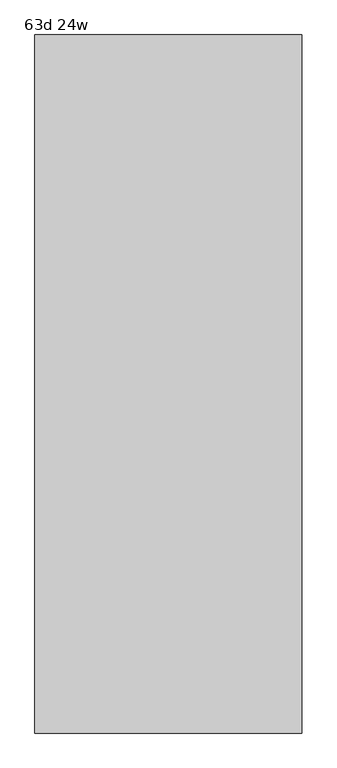
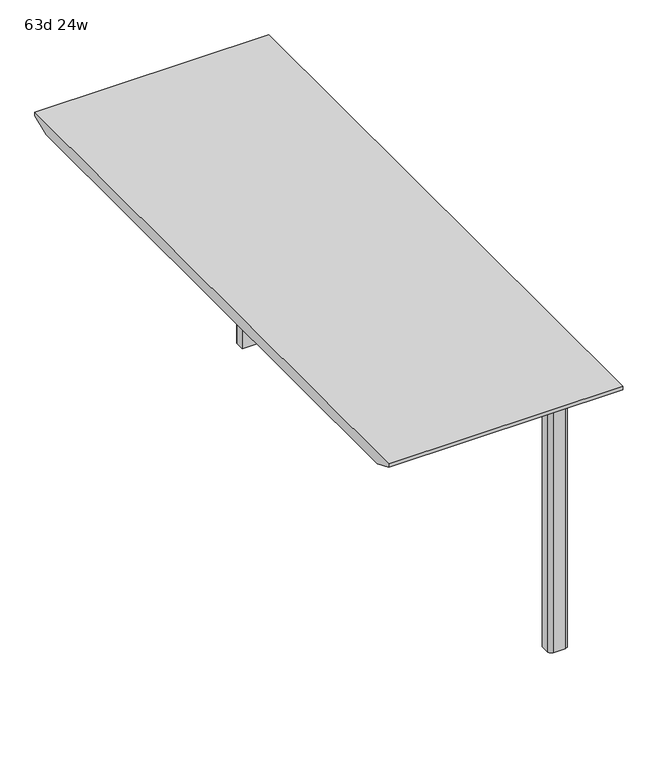
"""IFC4 building model written with IfcOpenShell, lengths in millimetres: furniture geometry, 63d 24w."""

from ifc_helpers import new_model, si_unit, point, frame_2d, origin, origin_with_axes, place, context, project, spatial, polyline, circle_curve, trimmed, segment, composite_curve, outline, extrude, faceted_brep, source, transform, mapped, element, save


def furniture_63d_24w_be91505f(model_context):
    return source(origin(), model_context, "Body", "SolidModel", [
        extrude(outline(composite_curve([segment(polyline([(431.8, -320.4034766), (381.0, -320.4034766), (381.0, -298.1784766)]), True, "CONTINUOUS"), segment(trimmed(circle_curve(frame_2d((390.525, -298.1784766)), 9.525), [point((381.0, -298.1784766))], [point((390.525, -288.6534766))], False, "CARTESIAN"), True, "CONTINUOUS"), segment(polyline([(390.525, -288.6534766), (422.275, -288.6534766)]), True, "CONTINUOUS"), segment(trimmed(circle_curve(frame_2d((422.275, -298.1784766)), 9.525), [point((422.275, -288.6534766))], [point((431.8, -298.1784766))], False, "CARTESIAN"), True, "CONTINUOUS"), segment(polyline([(431.8, -298.1784766), (431.8, -320.4034766)]), True, "CONTINUOUS")], self_intersect=False)), origin_with_axes(), (0.0, 0.0, 1.0), 711.2),
        extrude(outline(composite_curve([segment(polyline([(431.8, -1674.5409766), (431.8, -1696.7659766)]), True, "CONTINUOUS"), segment(trimmed(circle_curve(frame_2d((422.275, -1696.7659766)), 9.525), [point((431.8, -1696.7659766))], [point((422.275, -1706.2909766))], False, "CARTESIAN"), True, "CONTINUOUS"), segment(polyline([(422.275, -1706.2909766), (390.525, -1706.2909766)]), True, "CONTINUOUS"), segment(trimmed(circle_curve(frame_2d((390.525, -1696.7659766)), 9.525), [point((390.525, -1706.2909766))], [point((381.0, -1696.7659766))], False, "CARTESIAN"), True, "CONTINUOUS"), segment(polyline([(381.0, -1696.7659766), (381.0, -1674.5409766), (431.8, -1674.5409766)]), True, "CONTINUOUS")], self_intersect=False)), origin_with_axes(), (0.0, 0.0, 1.0), 711.2),
        faceted_brep([(520.7, -199.7534766, 741.3625), (-88.9, -199.7534766, 741.3625), (-88.9, -1795.1909766, 741.3625), (520.7, -1795.1909766, 741.3625), (-88.9, -1744.3909766, 711.2), (-88.9, -250.5534766, 711.2), (469.9, -250.5534766, 711.2), (469.9, -1744.3909766, 711.2), (520.7, -199.7534766, 731.8375), (-88.9, -199.7534766, 731.8375), (-88.9, -1795.1909766, 731.8375), (520.7, -1795.1909766, 731.8375)], [[[0, 1, 2, 3]], [[4, 5, 6, 7]], [[1, 0, 8, 9]], [[2, 1, 9, 5, 4, 10]], [[3, 2, 10, 11]], [[0, 3, 11, 8]], [[10, 4, 7, 11]], [[9, 8, 6, 5]], [[7, 6, 8, 11]]]),
    ])


if __name__ == "__main__":
    model = new_model("IFC4")
    model_context = context("Model", 3, world=origin())
    ifc_project = project(units=[si_unit("LENGTHUNIT", "METRE", prefix="MILLI")], contexts=[model_context])
    site = spatial("IfcSite", under=ifc_project)
    building = spatial("IfcBuilding", under=site)
    placement = place(None, origin())
    furniture_63d_24w_shape = furniture_63d_24w_be91505f(model_context)
    element("IfcFurniture", 1, ObjectType="63d 24w", at=placement, inside=building, context=model_context, shape_type="MappedRepresentation", body=[
        mapped(furniture_63d_24w_shape, transform((0.0, 0.0, 0.0), x_axis=(1.0, 0.0, 0.0), y_axis=(0.0, 1.0, 0.0), z_axis=(0.0, 0.0, 1.0))),
    ])
    save(model, "model.ifc")
